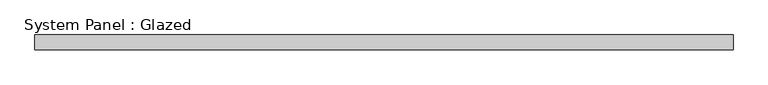
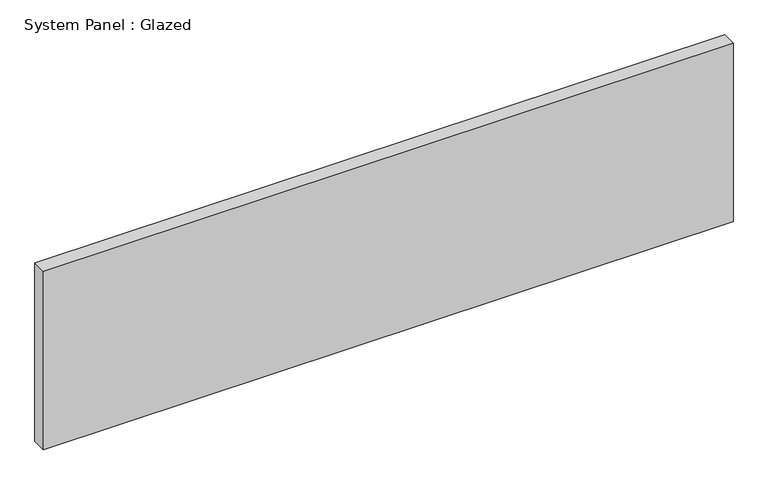
"""IFC4 building model written with IfcOpenShell, lengths in millimetres: plate geometry, System Panel : Glazed."""

from ifc_helpers import new_model, si_unit, origin, origin_with_axes, place, context, project, spatial, polyline, outline, extrude, source, transform, mapped, element, save


def system_panel_glazed_e0a2b55f(model_context):
    return source(origin(), model_context, "Body", "SweptSolid", [
        extrude(outline(polyline([(603.25, 19.05), (-603.25, 19.05), (-603.25, 44.45), (603.25, 44.45), (603.25, 19.05)])), origin_with_axes(), (0.0, 0.0, 1.0), 330.2),
    ])


if __name__ == "__main__":
    model = new_model("IFC4")
    model_context = context("Model", 3, world=origin())
    ifc_project = project(units=[si_unit("LENGTHUNIT", "METRE", prefix="MILLI")], contexts=[model_context])
    site = spatial("IfcSite", under=ifc_project)
    building = spatial("IfcBuilding", under=site)
    placement = place(None, origin())
    system_panel_glazed_shape = system_panel_glazed_e0a2b55f(model_context)
    element("IfcPlate", 1, ObjectType="System Panel : Glazed", at=placement, inside=building, context=model_context, shape_type="MappedRepresentation", body=[
        mapped(system_panel_glazed_shape, transform((0.0, 0.0, 0.0), x_axis=(1.0, 0.0, 0.0), y_axis=(0.0, 1.0, 0.0), z_axis=(0.0, 0.0, 1.0))),
    ])
    save(model, "model.ifc")
